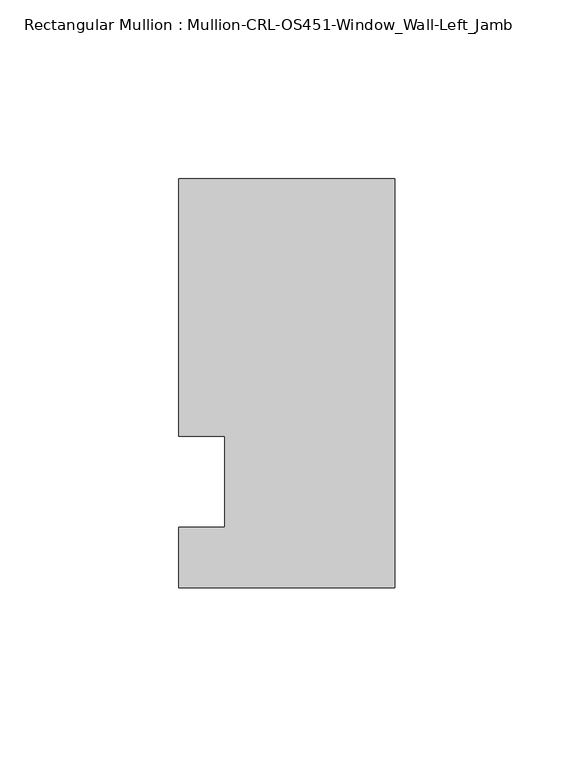
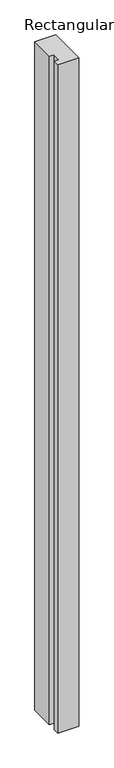
"""IFC4 building model written with IfcOpenShell, lengths in millimetres: member geometry, Rectangular Mullion : Mullion-CRL-OS451-Window_Wall-Left_Jamb."""

import ifcopenshell
import ifcopenshell.guid

model = None  # the IFC model being written
_history = None  # IfcOwnerHistory: only IFC2X3 demands one
_inside = {}  # id of a spatial element -> (the spatial element, [elements in it])
_under = {}  # id of a project, library or spatial element -> (it, [spatial elements below it])
_declared = {}  # id of a project -> (the project, [libraries it declares])
_typed = {}  # id of a type object -> (the type object, [elements of that type])
_made_of = {}  # id of a material, layer set ... -> (it, [elements and type objects made of it])


def new_model(schema):
    """Start an empty IFC model of exactly this schema.

    Asked for "IFC4X3", IfcOpenShell would pick the latest addendum, in which some entities
    have other attributes; the version numbers below select the first issue.
    IFC2X3 requires an IfcOwnerHistory on every rooted entity: one is made here for all.
    """
    global model, _history
    if schema == "IFC4X3":
        model = ifcopenshell.file(schema_version=(4, 3, 0, 0))
    else:
        model = ifcopenshell.file(schema=schema)
    _inside.clear()
    _under.clear()
    _declared.clear()
    _typed.clear()
    _made_of.clear()
    _history = None
    if model.schema == "IFC2X3":
        org = make("IfcOrganization", Name="unknown")
        user = make(
            "IfcPersonAndOrganization",
            ThePerson=make("IfcPerson", FamilyName="unknown"),
            TheOrganization=org,
        )
        app = make(
            "IfcApplication",
            ApplicationDeveloper=org,
            Version="unknown",
            ApplicationFullName="unknown",
            ApplicationIdentifier="unknown",
        )
        _history = make(
            "IfcOwnerHistory",
            OwningUser=user,
            OwningApplication=app,
            ChangeAction="ADDED",
            CreationDate=0,
        )
    return model


def make(cls, **values):
    """One entity of the class cls with the attributes given. An attribute that is None is left unset."""
    return model.create_entity(
        cls, **{name: value for name, value in values.items() if value is not None}
    )


def rooted(cls, **values):
    """An entity with a GlobalId (a new one), such as an element, a storey or a relation."""
    return make(cls, GlobalId=ifcopenshell.guid.new(), OwnerHistory=_history, **values)


def si_unit(unit_type, name, prefix=None):
    """IfcSIUnit, for example si_unit("LENGTHUNIT", "METRE", prefix="MILLI")."""
    return make("IfcSIUnit", UnitType=unit_type, Prefix=prefix, Name=name)


def assignment(units):
    """IfcUnitAssignment: the units of a project."""
    return None if units is None else make("IfcUnitAssignment", Units=units)


def point(xyz):
    """IfcCartesianPoint."""
    return None if xyz is None else make("IfcCartesianPoint", Coordinates=xyz)


def direction(xyz):
    """IfcDirection."""
    return None if xyz is None else make("IfcDirection", DirectionRatios=xyz)


def frame(location, z_axis=None, x_axis=None):
    """IfcAxis2Placement3D, a coordinate frame: its origin and axes. An axis left out is left unset."""
    return make(
        "IfcAxis2Placement3D",
        Location=point(location),
        Axis=direction(z_axis),
        RefDirection=direction(x_axis),
    )


def origin():
    """The frame at (0, 0, 0) with its axes left unset."""
    return frame((0.0, 0.0, 0.0))


def place(relative_to, where):
    """IfcLocalPlacement: puts the frame where relative to a parent placement (None: the world)."""
    return make(
        "IfcLocalPlacement", PlacementRelTo=relative_to, RelativePlacement=where
    )


def context(
    kind, dimensions, precision=None, world=None, true_north=None, identifier=None
):
    """IfcGeometricRepresentationContext, for example the 3D "Model" context."""
    return make(
        "IfcGeometricRepresentationContext",
        ContextIdentifier=identifier,
        ContextType=kind,
        CoordinateSpaceDimension=dimensions,
        Precision=precision,
        WorldCoordinateSystem=world,
        TrueNorth=true_north,
    )


def project(units=None, contexts=None):
    """IfcProject with its units and contexts."""
    return rooted(
        "IfcProject",
        Name="project",
        RepresentationContexts=contexts,
        UnitsInContext=assignment(units),
    )


def spatial(cls, under=None, at=None, **own):
    """A site, building, storey or space (cls), placed at a placement, below another one or the project."""
    s = rooted(cls, ObjectPlacement=at, **own)
    if under is not None:
        _under.setdefault(under.id(), (under, []))[1].append(s)
    return s


def polyline(points):
    """IfcPolyline through the points."""
    return make("IfcPolyline", Points=[point(p) for p in points])


def outline(outer, holes=None, kind="AREA"):
    """IfcArbitraryClosedProfileDef: a profile drawn as a closed curve; with holes, ...WithVoids."""
    if holes is None:
        return make("IfcArbitraryClosedProfileDef", ProfileType=kind, OuterCurve=outer)
    return make(
        "IfcArbitraryProfileDefWithVoids",
        ProfileType=kind,
        OuterCurve=outer,
        InnerCurves=holes,
    )


def extrude(swept, where, along, depth):
    """IfcExtrudedAreaSolid: the profile swept, set in the frame where, extruded along a direction by depth."""
    return make(
        "IfcExtrudedAreaSolid",
        SweptArea=swept,
        Position=where,
        ExtrudedDirection=direction(along),
        Depth=depth,
    )


def shape(context_of_items, identifier, shape_type, items):
    """IfcShapeRepresentation: the items that make up one representation, for example the "Body"."""
    return make(
        "IfcShapeRepresentation",
        ContextOfItems=context_of_items,
        RepresentationIdentifier=identifier,
        RepresentationType=shape_type,
        Items=items,
    )


def source(mapping_origin, context_of_items, identifier, shape_type, items):
    """IfcRepresentationMap: a shape defined once, which mapped items show again and again."""
    return make(
        "IfcRepresentationMap",
        MappingOrigin=mapping_origin,
        MappedRepresentation=shape(context_of_items, identifier, shape_type, items),
    )


def transform(
    local_origin,
    x_axis=None,
    y_axis=None,
    z_axis=None,
    scale=None,
    scale2=None,
    scale3=None,
    uniform=True,
):
    """IfcCartesianTransformationOperator3D, or its non-uniform kind. x_axis, y_axis, z_axis: its Axis1, 2, 3."""
    if uniform:
        return make(
            "IfcCartesianTransformationOperator3D",
            Axis1=direction(x_axis),
            Axis2=direction(y_axis),
            LocalOrigin=point(local_origin),
            Scale=scale,
            Axis3=direction(z_axis),
        )
    return make(
        "IfcCartesianTransformationOperator3DnonUniform",
        Axis1=direction(x_axis),
        Axis2=direction(y_axis),
        LocalOrigin=point(local_origin),
        Scale=scale,
        Axis3=direction(z_axis),
        Scale2=scale2,
        Scale3=scale3,
    )


def mapped(mapping_source, mapping_target):
    """IfcMappedItem: shows the shape of a source again, moved by a transform."""
    return make(
        "IfcMappedItem", MappingSource=mapping_source, MappingTarget=mapping_target
    )


def made_of(thing, what):
    """Note that an element or type object is made of a material, layer set ...; save() writes the relation."""
    if what is not None:
        _made_of.setdefault(what.id(), (what, []))[1].append(thing)
    return thing


def element(
    cls,
    number,
    at=None,
    inside=None,
    cuts=None,
    type_object=None,
    material=None,
    context=None,
    identifier="Body",
    shape_type=None,
    held_by="IfcProductDefinitionShape",
    body=None,
    shapes=None,
    **own,
):
    """One element of the class cls, such as IfcWall. Its Tag is "e" and its number.

    at: its placement. inside: the storey or other place that contains it. cuts: it is an
    opening in that element (IfcRelVoidsElement). A single representation is given by context,
    identifier, shape_type and body (its items); several are given by shapes. held_by: the class
    of the entity that holds the representations. save() writes the other relations.
    """
    e = rooted(cls, Tag="e%d" % number, ObjectPlacement=at, **own)
    if body is not None:
        shapes = [shape(context, identifier, shape_type, body)]
    if shapes is not None:
        e.Representation = make(held_by, Representations=shapes)
    if inside is not None:
        _inside.setdefault(inside.id(), (inside, []))[1].append(e)
    if cuts is not None:
        rooted(
            "IfcRelVoidsElement", RelatingBuildingElement=cuts, RelatedOpeningElement=e
        )
    if type_object is not None:
        _typed.setdefault(type_object.id(), (type_object, []))[1].append(e)
    return made_of(e, material)


def aggregate(whole, parts):
    """IfcRelAggregates: a whole, such as a stair, and the parts it consists of."""
    return rooted("IfcRelAggregates", RelatingObject=whole, RelatedObjects=parts)


def save(model, path):
    """Write the relations noted so far, then the file.

    IfcRelAggregates (storeys below a building ...), IfcRelContainedInSpatialStructure (elements
    in a storey), IfcRelDefinesByType, IfcRelAssociatesMaterial and IfcRelDeclares: one each for
    every whole, place, type object, material and project.
    """
    for whole, parts in _under.values():
        aggregate(whole, parts)
    for where, things in _inside.values():
        rooted(
            "IfcRelContainedInSpatialStructure",
            RelatedElements=things,
            RelatingStructure=where,
        )
    for kind, things in _typed.values():
        rooted("IfcRelDefinesByType", RelatedObjects=things, RelatingType=kind)
    for what, things in _made_of.values():
        rooted("IfcRelAssociatesMaterial", RelatedObjects=things, RelatingMaterial=what)
    for by, libraries in _declared.values():
        rooted("IfcRelDeclares", RelatingContext=by, RelatedDefinitions=libraries)
    model.write(path)


def rectangular_mullion_mullion_crl_os451_window_wall_left_jamb_99bbc1aa(model_context):
    return source(origin(), model_context, "Body", "SweptSolid", [
        extrude(outline(polyline([(-60.325, 12.7), (-60.325, 84.6587463), (0.0, 84.6587463), (0.0, -29.6531114), (-60.325, -29.6531114), (-60.325, -12.7), (-47.5139203, -12.7), (-47.5139203, 12.7), (-60.325, 12.7)])), frame((0.0, 0.0, -2037.0775442), z_axis=(0.0, 0.0, 1.0), x_axis=(1.0, 0.0, 0.0)), (0.0, 0.0, 1.0), 2037.0775442),
    ])


if __name__ == "__main__":
    model = new_model("IFC4")
    model_context = context("Model", 3, world=origin())
    ifc_project = project(units=[si_unit("LENGTHUNIT", "METRE", prefix="MILLI")], contexts=[model_context])
    site = spatial("IfcSite", under=ifc_project)
    building = spatial("IfcBuilding", under=site)
    placement = place(None, origin())
    rectangular_mullion_mullion_crl_os451_window_wall_left_jamb_shape = rectangular_mullion_mullion_crl_os451_window_wall_left_jamb_99bbc1aa(model_context)
    element("IfcMember", 1, ObjectType="Rectangular Mullion : Mullion-CRL-OS451-Window_Wall-Left_Jamb", at=placement, inside=building, context=model_context, shape_type="MappedRepresentation", body=[
        mapped(rectangular_mullion_mullion_crl_os451_window_wall_left_jamb_shape, transform((0.0, 0.0, 0.0), x_axis=(1.0, 0.0, 0.0), y_axis=(0.0, 1.0, 0.0), z_axis=(0.0, 0.0, 1.0))),
    ])
    save(model, "model.ifc")
